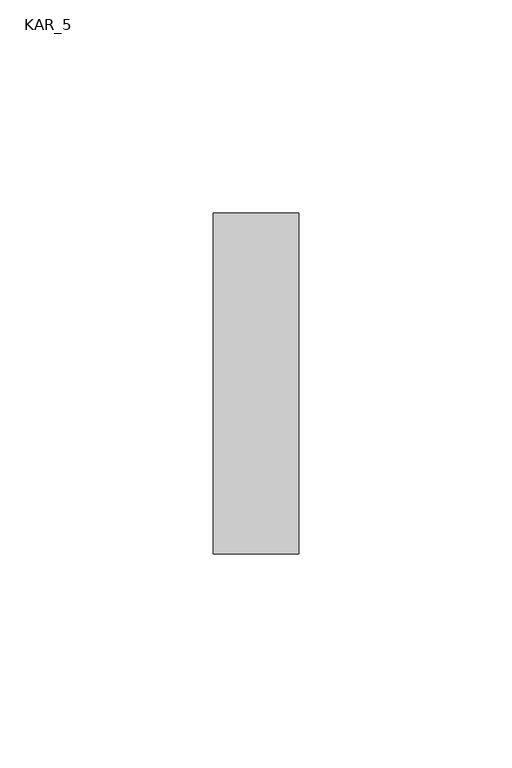
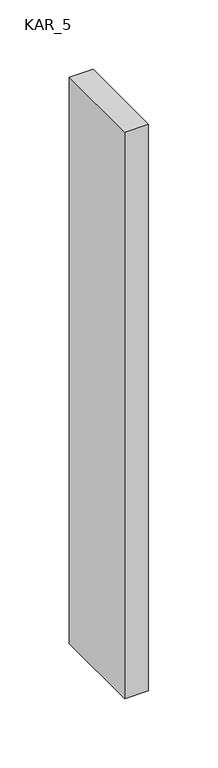
"""IFC4 building model written with IfcOpenShell, lengths in millimetres: proxy geometry, KAR_5."""

from ifc_helpers import new_model, si_unit, frame, origin, place, context, project, spatial, polyline, outline, extrude, source, transform, mapped, element, save


def kar_5_00e08bb4(model_context):
    return source(origin(), model_context, "Body", "SweptSolid", [
        extrude(outline(polyline([(20.0, 80.0), (20.0, 0.0), (0.0, 0.0), (0.0, 80.0), (20.0, 80.0)])), frame((0.0, 0.0, 1100.0), z_axis=(0.0, 0.0, 1.0), x_axis=(1.0, 0.0, 0.0)), (0.0, 0.0, 1.0), 500.0),
    ])


if __name__ == "__main__":
    model = new_model("IFC4")
    model_context = context("Model", 3, world=origin())
    ifc_project = project(units=[si_unit("LENGTHUNIT", "METRE", prefix="MILLI")], contexts=[model_context])
    site = spatial("IfcSite", under=ifc_project)
    building = spatial("IfcBuilding", under=site)
    placement = place(None, origin())
    kar_5_shape = kar_5_00e08bb4(model_context)
    element("IfcBuildingElementProxy", 1, Name="KAR_5", ObjectType="KAR_5", at=placement, inside=building, context=model_context, shape_type="MappedRepresentation", body=[
        mapped(kar_5_shape, transform((0.0, 0.0, 0.0), x_axis=(1.0, 0.0, 0.0), y_axis=(0.0, 1.0, 0.0), z_axis=(0.0, 0.0, 1.0))),
    ])
    save(model, "model.ifc")
